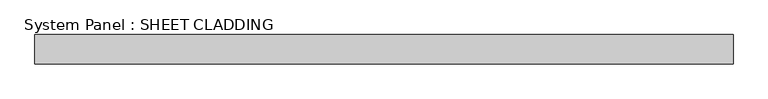
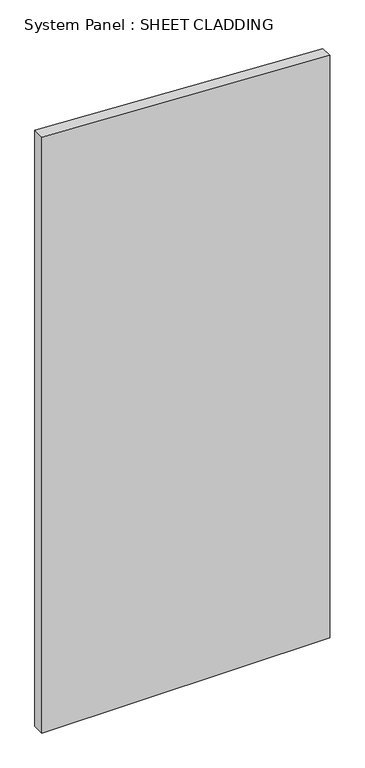
"""IFC4 building model written with IfcOpenShell, lengths in millimetres: plate geometry, System Panel : SHEET CLADDING."""

import ifcopenshell
import ifcopenshell.guid

model = None  # the IFC model being written
_history = None  # IfcOwnerHistory: only IFC2X3 demands one
_inside = {}  # id of a spatial element -> (the spatial element, [elements in it])
_under = {}  # id of a project, library or spatial element -> (it, [spatial elements below it])
_declared = {}  # id of a project -> (the project, [libraries it declares])
_typed = {}  # id of a type object -> (the type object, [elements of that type])
_made_of = {}  # id of a material, layer set ... -> (it, [elements and type objects made of it])


def new_model(schema):
    """Start an empty IFC model of exactly this schema.

    Asked for "IFC4X3", IfcOpenShell would pick the latest addendum, in which some entities
    have other attributes; the version numbers below select the first issue.
    IFC2X3 requires an IfcOwnerHistory on every rooted entity: one is made here for all.
    """
    global model, _history
    if schema == "IFC4X3":
        model = ifcopenshell.file(schema_version=(4, 3, 0, 0))
    else:
        model = ifcopenshell.file(schema=schema)
    _inside.clear()
    _under.clear()
    _declared.clear()
    _typed.clear()
    _made_of.clear()
    _history = None
    if model.schema == "IFC2X3":
        org = make("IfcOrganization", Name="unknown")
        user = make(
            "IfcPersonAndOrganization",
            ThePerson=make("IfcPerson", FamilyName="unknown"),
            TheOrganization=org,
        )
        app = make(
            "IfcApplication",
            ApplicationDeveloper=org,
            Version="unknown",
            ApplicationFullName="unknown",
            ApplicationIdentifier="unknown",
        )
        _history = make(
            "IfcOwnerHistory",
            OwningUser=user,
            OwningApplication=app,
            ChangeAction="ADDED",
            CreationDate=0,
        )
    return model


def make(cls, **values):
    """One entity of the class cls with the attributes given. An attribute that is None is left unset."""
    return model.create_entity(
        cls, **{name: value for name, value in values.items() if value is not None}
    )


def rooted(cls, **values):
    """An entity with a GlobalId (a new one), such as an element, a storey or a relation."""
    return make(cls, GlobalId=ifcopenshell.guid.new(), OwnerHistory=_history, **values)


def si_unit(unit_type, name, prefix=None):
    """IfcSIUnit, for example si_unit("LENGTHUNIT", "METRE", prefix="MILLI")."""
    return make("IfcSIUnit", UnitType=unit_type, Prefix=prefix, Name=name)


def assignment(units):
    """IfcUnitAssignment: the units of a project."""
    return None if units is None else make("IfcUnitAssignment", Units=units)


def point(xyz):
    """IfcCartesianPoint."""
    return None if xyz is None else make("IfcCartesianPoint", Coordinates=xyz)


def direction(xyz):
    """IfcDirection."""
    return None if xyz is None else make("IfcDirection", DirectionRatios=xyz)


def frame(location, z_axis=None, x_axis=None):
    """IfcAxis2Placement3D, a coordinate frame: its origin and axes. An axis left out is left unset."""
    return make(
        "IfcAxis2Placement3D",
        Location=point(location),
        Axis=direction(z_axis),
        RefDirection=direction(x_axis),
    )


def origin():
    """The frame at (0, 0, 0) with its axes left unset."""
    return frame((0.0, 0.0, 0.0))


def place(relative_to, where):
    """IfcLocalPlacement: puts the frame where relative to a parent placement (None: the world)."""
    return make(
        "IfcLocalPlacement", PlacementRelTo=relative_to, RelativePlacement=where
    )


def context(
    kind, dimensions, precision=None, world=None, true_north=None, identifier=None
):
    """IfcGeometricRepresentationContext, for example the 3D "Model" context."""
    return make(
        "IfcGeometricRepresentationContext",
        ContextIdentifier=identifier,
        ContextType=kind,
        CoordinateSpaceDimension=dimensions,
        Precision=precision,
        WorldCoordinateSystem=world,
        TrueNorth=true_north,
    )


def project(units=None, contexts=None):
    """IfcProject with its units and contexts."""
    return rooted(
        "IfcProject",
        Name="project",
        RepresentationContexts=contexts,
        UnitsInContext=assignment(units),
    )


def spatial(cls, under=None, at=None, **own):
    """A site, building, storey or space (cls), placed at a placement, below another one or the project."""
    s = rooted(cls, ObjectPlacement=at, **own)
    if under is not None:
        _under.setdefault(under.id(), (under, []))[1].append(s)
    return s


def polyline(points):
    """IfcPolyline through the points."""
    return make("IfcPolyline", Points=[point(p) for p in points])


def outline(outer, holes=None, kind="AREA"):
    """IfcArbitraryClosedProfileDef: a profile drawn as a closed curve; with holes, ...WithVoids."""
    if holes is None:
        return make("IfcArbitraryClosedProfileDef", ProfileType=kind, OuterCurve=outer)
    return make(
        "IfcArbitraryProfileDefWithVoids",
        ProfileType=kind,
        OuterCurve=outer,
        InnerCurves=holes,
    )


def extrude(swept, where, along, depth):
    """IfcExtrudedAreaSolid: the profile swept, set in the frame where, extruded along a direction by depth."""
    return make(
        "IfcExtrudedAreaSolid",
        SweptArea=swept,
        Position=where,
        ExtrudedDirection=direction(along),
        Depth=depth,
    )


def shape(context_of_items, identifier, shape_type, items):
    """IfcShapeRepresentation: the items that make up one representation, for example the "Body"."""
    return make(
        "IfcShapeRepresentation",
        ContextOfItems=context_of_items,
        RepresentationIdentifier=identifier,
        RepresentationType=shape_type,
        Items=items,
    )


def source(mapping_origin, context_of_items, identifier, shape_type, items):
    """IfcRepresentationMap: a shape defined once, which mapped items show again and again."""
    return make(
        "IfcRepresentationMap",
        MappingOrigin=mapping_origin,
        MappedRepresentation=shape(context_of_items, identifier, shape_type, items),
    )


def transform(
    local_origin,
    x_axis=None,
    y_axis=None,
    z_axis=None,
    scale=None,
    scale2=None,
    scale3=None,
    uniform=True,
):
    """IfcCartesianTransformationOperator3D, or its non-uniform kind. x_axis, y_axis, z_axis: its Axis1, 2, 3."""
    if uniform:
        return make(
            "IfcCartesianTransformationOperator3D",
            Axis1=direction(x_axis),
            Axis2=direction(y_axis),
            LocalOrigin=point(local_origin),
            Scale=scale,
            Axis3=direction(z_axis),
        )
    return make(
        "IfcCartesianTransformationOperator3DnonUniform",
        Axis1=direction(x_axis),
        Axis2=direction(y_axis),
        LocalOrigin=point(local_origin),
        Scale=scale,
        Axis3=direction(z_axis),
        Scale2=scale2,
        Scale3=scale3,
    )


def mapped(mapping_source, mapping_target):
    """IfcMappedItem: shows the shape of a source again, moved by a transform."""
    return make(
        "IfcMappedItem", MappingSource=mapping_source, MappingTarget=mapping_target
    )


def made_of(thing, what):
    """Note that an element or type object is made of a material, layer set ...; save() writes the relation."""
    if what is not None:
        _made_of.setdefault(what.id(), (what, []))[1].append(thing)
    return thing


def element(
    cls,
    number,
    at=None,
    inside=None,
    cuts=None,
    type_object=None,
    material=None,
    context=None,
    identifier="Body",
    shape_type=None,
    held_by="IfcProductDefinitionShape",
    body=None,
    shapes=None,
    **own,
):
    """One element of the class cls, such as IfcWall. Its Tag is "e" and its number.

    at: its placement. inside: the storey or other place that contains it. cuts: it is an
    opening in that element (IfcRelVoidsElement). A single representation is given by context,
    identifier, shape_type and body (its items); several are given by shapes. held_by: the class
    of the entity that holds the representations. save() writes the other relations.
    """
    e = rooted(cls, Tag="e%d" % number, ObjectPlacement=at, **own)
    if body is not None:
        shapes = [shape(context, identifier, shape_type, body)]
    if shapes is not None:
        e.Representation = make(held_by, Representations=shapes)
    if inside is not None:
        _inside.setdefault(inside.id(), (inside, []))[1].append(e)
    if cuts is not None:
        rooted(
            "IfcRelVoidsElement", RelatingBuildingElement=cuts, RelatedOpeningElement=e
        )
    if type_object is not None:
        _typed.setdefault(type_object.id(), (type_object, []))[1].append(e)
    return made_of(e, material)


def aggregate(whole, parts):
    """IfcRelAggregates: a whole, such as a stair, and the parts it consists of."""
    return rooted("IfcRelAggregates", RelatingObject=whole, RelatedObjects=parts)


def save(model, path):
    """Write the relations noted so far, then the file.

    IfcRelAggregates (storeys below a building ...), IfcRelContainedInSpatialStructure (elements
    in a storey), IfcRelDefinesByType, IfcRelAssociatesMaterial and IfcRelDeclares: one each for
    every whole, place, type object, material and project.
    """
    for whole, parts in _under.values():
        aggregate(whole, parts)
    for where, things in _inside.values():
        rooted(
            "IfcRelContainedInSpatialStructure",
            RelatedElements=things,
            RelatingStructure=where,
        )
    for kind, things in _typed.values():
        rooted("IfcRelDefinesByType", RelatedObjects=things, RelatingType=kind)
    for what, things in _made_of.values():
        rooted("IfcRelAssociatesMaterial", RelatedObjects=things, RelatingMaterial=what)
    for by, libraries in _declared.values():
        rooted("IfcRelDeclares", RelatingContext=by, RelatedDefinitions=libraries)
    model.write(path)


def system_panel_sheet_cladding_94573952(model_context):
    return source(origin(), model_context, "Body", "SweptSolid", [
        extrude(outline(polyline([(0.0, -718.75), (0.0, 718.75), (3072.6, 718.75), (3144.475, -718.75), (0.0, -718.75)])), frame((0.0, -49.5, 0.0), z_axis=(0.0, 1.0, 0.0), x_axis=(0.0, 0.0, 1.0)), (0.0, 0.0, 1.0), 60.0),
    ])


if __name__ == "__main__":
    model = new_model("IFC4")
    model_context = context("Model", 3, world=origin())
    ifc_project = project(units=[si_unit("LENGTHUNIT", "METRE", prefix="MILLI")], contexts=[model_context])
    site = spatial("IfcSite", under=ifc_project)
    building = spatial("IfcBuilding", under=site)
    placement = place(None, origin())
    system_panel_sheet_cladding_shape = system_panel_sheet_cladding_94573952(model_context)
    element("IfcPlate", 1, ObjectType="System Panel : SHEET CLADDING", at=placement, inside=building, context=model_context, shape_type="MappedRepresentation", body=[
        mapped(system_panel_sheet_cladding_shape, transform((0.0, 0.0, 0.0), x_axis=(1.0, 0.0, 0.0), y_axis=(0.0, 1.0, 0.0), z_axis=(0.0, 0.0, 1.0))),
    ])
    save(model, "model.ifc")
